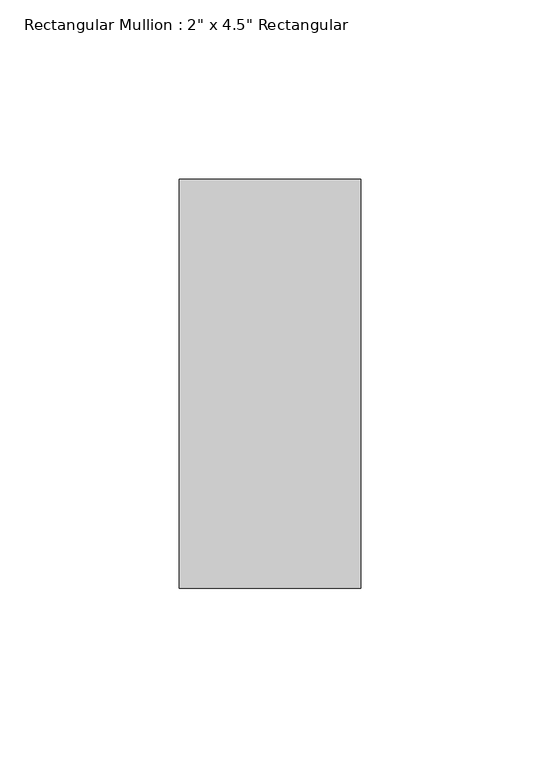
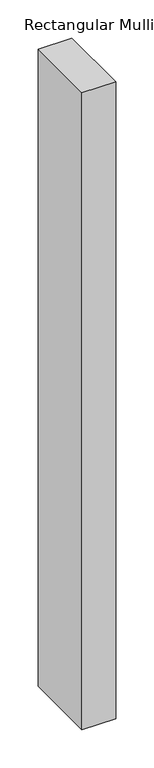
"""IFC4 building model written with IfcOpenShell, lengths in millimetres: member geometry."""

from ifc_helpers import new_model, si_unit, frame, origin, place, context, project, spatial, polyline, outline, extrude, source, transform, mapped, element, save


def member_03057e14(model_context):
    return source(origin(), model_context, "Body", "SweptSolid", [
        extrude(outline(polyline([(25.4, 57.15), (25.4, -57.15), (-25.4, -57.15), (-25.4, 57.15), (25.4, 57.15)])), frame((0.0, 0.0, -1016.0), z_axis=(0.0, 0.0, 1.0), x_axis=(1.0, 0.0, 0.0)), (0.0, 0.0, 1.0), 1016.0),
    ])


if __name__ == "__main__":
    model = new_model("IFC4")
    model_context = context("Model", 3, world=origin())
    ifc_project = project(units=[si_unit("LENGTHUNIT", "METRE", prefix="MILLI")], contexts=[model_context])
    site = spatial("IfcSite", under=ifc_project)
    building = spatial("IfcBuilding", under=site)
    placement = place(None, origin())
    member_shape = member_03057e14(model_context)
    element("IfcMember", 1, ObjectType="Rectangular Mullion : 2\" x 4.5\" Rectangular", at=placement, inside=building, context=model_context, shape_type="MappedRepresentation", body=[
        mapped(member_shape, transform((0.0, 0.0, 0.0), x_axis=(1.0, 0.0, 0.0), y_axis=(0.0, 1.0, 0.0), z_axis=(0.0, 0.0, 1.0))),
    ])
    save(model, "model.ifc")
